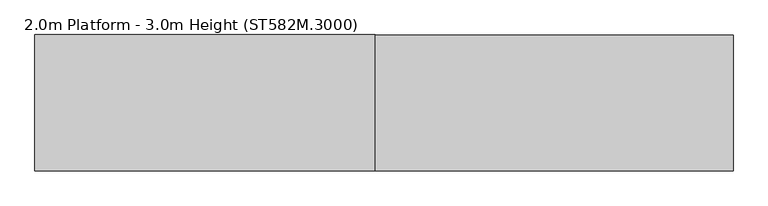
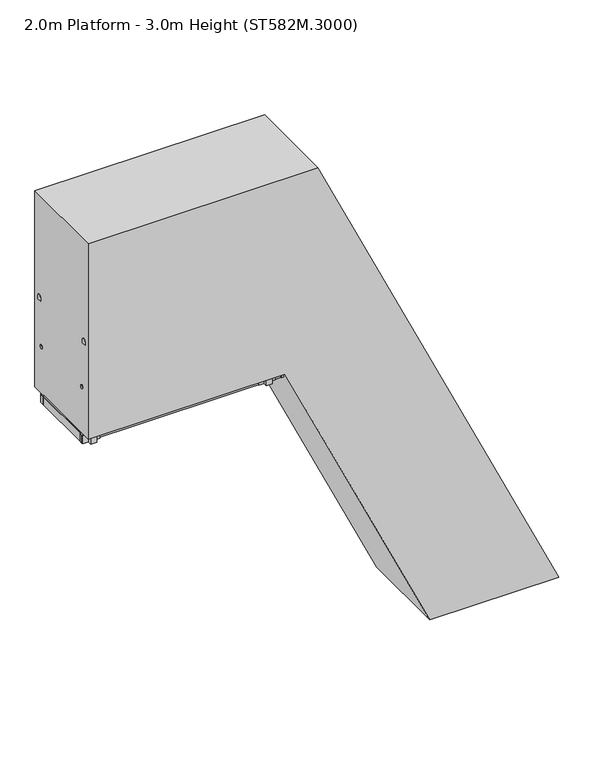
"""IFC4 building model written with IfcOpenShell, lengths in millimetres: proxy geometry, 2.0m Platform - 3.0m Height (ST582M.3000)."""

from ifc_helpers import new_model, si_unit, point, frame, frame_2d, origin, origin_with_axes, place, context, project, spatial, polyline, circle_curve, ellipse_curve, trimmed, segment, composite_curve, outline, extrude, source, transform, mapped, element, save
from ifc_brep_helpers import plane_surface, cylinder_surface, advanced_brep


def proxy_2_0m_platform_3_0m_height_st582m_3000_893171c9(model_context):
    return source(origin(), model_context, "Body", "SolidModel", [
        extrude(outline(polyline([(2750.0, -287.4249636), (2670.0, -250.120356), (2670.0, -139.782559), (2750.0, -177.0871716), (2750.0, -287.4249636)])), frame((0.0, 298.5, 0.0), z_axis=(0.0, 1.0, 0.0), x_axis=(0.0, 0.0, 1.0)), (0.0, 0.0, 1.0), 6.0),
        extrude(outline(polyline([(2750.0, -287.4249636), (2670.0, -250.120356), (2670.0, -139.782559), (2750.0, -177.0871716), (2750.0, -287.4249636)])), frame((0.0, -304.5, 0.0), z_axis=(0.0, 1.0, 0.0), x_axis=(0.0, 0.0, 1.0)), (0.0, 0.0, 1.0), 6.0),
        extrude(outline(polyline([(2750.0, -280.2530073), (2712.0999991, -262.5799491), (2712.0999991, -260.3731933), (2747.0, -276.6473288), (2747.0, -177.8950045), (2712.0999991, -161.6208668), (2712.0999991, -159.414111), (2750.0, -177.0871716), (2750.0, -197.5149128), (2749.2749538, -197.8530073), (2750.0, -198.1911019), (2750.0, -218.1149128), (2749.2749538, -218.4530073), (2750.0, -218.7911019), (2750.0, -238.7149128), (2749.2749538, -239.0530073), (2750.0, -239.3911019), (2750.0, -259.3149128), (2749.2749538, -259.6530073), (2750.0, -259.9911019), (2750.0, -280.2530073)])), frame((0.0, -298.5, 0.0), z_axis=(0.0, 1.0, 0.0), x_axis=(0.0, 0.0, 1.0)), (0.0, 0.0, 1.0), 597.0),
        extrude(outline(polyline([(2500.0, -170.8451391), (2420.0, -133.5405315), (2420.0, -23.2027344), (2500.0, -60.507347), (2500.0, -170.8451391)])), frame((0.0, 298.5, 0.0), z_axis=(0.0, 1.0, 0.0), x_axis=(0.0, 0.0, 1.0)), (0.0, 0.0, 1.0), 6.0),
        extrude(outline(polyline([(2500.0, -170.8451391), (2420.0, -133.5405315), (2420.0, -23.2027344), (2500.0, -60.507347), (2500.0, -170.8451391)])), frame((0.0, -304.5, 0.0), z_axis=(0.0, 1.0, 0.0), x_axis=(0.0, 0.0, 1.0)), (0.0, 0.0, 1.0), 6.0),
        extrude(outline(polyline([(2500.0, -163.6731828), (2462.0999991, -146.0001245), (2462.0999991, -143.7933687), (2497.0, -160.0675042), (2497.0, -61.3151799), (2462.0999991, -45.0410422), (2462.0999991, -42.8342864), (2500.0, -60.507347), (2500.0, -80.9350882), (2499.2749538, -81.2731828), (2500.0, -81.6112773), (2500.0, -101.5350882), (2499.2749538, -101.8731828), (2500.0, -102.2112773), (2500.0, -122.1350882), (2499.2749538, -122.4731828), (2500.0, -122.8112773), (2500.0, -142.7350882), (2499.2749538, -143.0731828), (2500.0, -143.4112773), (2500.0, -163.6731828)])), frame((0.0, -298.5, 0.0), z_axis=(0.0, 1.0, 0.0), x_axis=(0.0, 0.0, 1.0)), (0.0, 0.0, 1.0), 597.0),
        extrude(outline(polyline([(2250.0, -54.2653145), (2170.0, -16.9607069), (2170.0, 93.3770902), (2250.0, 56.0724775), (2250.0, -54.2653145)])), frame((0.0, 298.5, 0.0), z_axis=(0.0, 1.0, 0.0), x_axis=(0.0, 0.0, 1.0)), (0.0, 0.0, 1.0), 6.0),
        extrude(outline(polyline([(2250.0, -54.2653145), (2170.0, -16.9607069), (2170.0, 93.3770902), (2250.0, 56.0724775), (2250.0, -54.2653145)])), frame((0.0, -304.5, 0.0), z_axis=(0.0, 1.0, 0.0), x_axis=(0.0, 0.0, 1.0)), (0.0, 0.0, 1.0), 6.0),
        extrude(outline(polyline([(2250.0, -47.0933582), (2212.0999991, -29.4203), (2212.0999991, -27.2135442), (2247.0, -43.4876796), (2247.0, 55.2646447), (2212.0999991, 71.5387823), (2212.0999991, 73.7455382), (2250.0, 56.0724775), (2250.0, 35.6447364), (2249.2749538, 35.3066418), (2250.0, 34.9685472), (2250.0, 15.0447364), (2249.2749538, 14.7066418), (2250.0, 14.3685472), (2250.0, -5.5552636), (2249.2749538, -5.8933582), (2250.0, -6.2314528), (2250.0, -26.1552636), (2249.2749538, -26.4933582), (2250.0, -26.8314528), (2250.0, -47.0933582)])), frame((0.0, -298.5, 0.0), z_axis=(0.0, 1.0, 0.0), x_axis=(0.0, 0.0, 1.0)), (0.0, 0.0, 1.0), 597.0),
        extrude(outline(polyline([(2000.0, 62.3145101), (1920.0, 99.6191177), (1920.0, 209.9569147), (2000.0, 172.6523021), (2000.0, 62.3145101)])), frame((0.0, 298.5, 0.0), z_axis=(0.0, 1.0, 0.0), x_axis=(0.0, 0.0, 1.0)), (0.0, 0.0, 1.0), 6.0),
        extrude(outline(polyline([(2000.0, 62.3145101), (1920.0, 99.6191177), (1920.0, 209.9569147), (2000.0, 172.6523021), (2000.0, 62.3145101)])), frame((0.0, -304.5, 0.0), z_axis=(0.0, 1.0, 0.0), x_axis=(0.0, 0.0, 1.0)), (0.0, 0.0, 1.0), 6.0),
        extrude(outline(polyline([(2000.0, 69.4864664), (1962.0999991, 87.1595246), (1962.0999991, 89.3662804), (1997.0, 73.0921449), (1997.0, 171.8444692), (1962.0999991, 188.1186069), (1962.0999991, 190.3253627), (2000.0, 172.6523021), (2000.0, 152.2245609), (1999.2749538, 151.8864664), (2000.0, 151.5483718), (2000.0, 131.6245609), (1999.2749538, 131.2864664), (2000.0, 130.9483718), (2000.0, 111.0245609), (1999.2749538, 110.6864664), (2000.0, 110.3483718), (2000.0, 90.4245609), (1999.2749538, 90.0864664), (2000.0, 89.7483718), (2000.0, 69.4864664)])), frame((0.0, -298.5, 0.0), z_axis=(0.0, 1.0, 0.0), x_axis=(0.0, 0.0, 1.0)), (0.0, 0.0, 1.0), 597.0),
        extrude(outline(polyline([(1750.0, 178.8943346), (1670.0, 216.1989422), (1670.0, 326.5367393), (1750.0, 289.2321266), (1750.0, 178.8943346)])), frame((0.0, 298.5, 0.0), z_axis=(0.0, 1.0, 0.0), x_axis=(0.0, 0.0, 1.0)), (0.0, 0.0, 1.0), 6.0),
        extrude(outline(polyline([(1750.0, 178.8943346), (1670.0, 216.1989422), (1670.0, 326.5367393), (1750.0, 289.2321266), (1750.0, 178.8943346)])), frame((0.0, -304.5, 0.0), z_axis=(0.0, 1.0, 0.0), x_axis=(0.0, 0.0, 1.0)), (0.0, 0.0, 1.0), 6.0),
        extrude(outline(polyline([(1750.0, 186.0662909), (1712.0999991, 203.7393492), (1712.0999991, 205.9461049), (1747.0, 189.6719695), (1747.0, 288.4242938), (1712.0999991, 304.6984314), (1712.0999991, 306.9051873), (1750.0, 289.2321266), (1750.0, 268.8043855), (1749.2749538, 268.4662909), (1750.0, 268.1281963), (1750.0, 248.2043855), (1749.2749538, 247.8662909), (1750.0, 247.5281963), (1750.0, 227.6043855), (1749.2749538, 227.2662909), (1750.0, 226.9281963), (1750.0, 207.0043855), (1749.2749538, 206.6662909), (1750.0, 206.3281963), (1750.0, 186.0662909)])), frame((0.0, -298.5, 0.0), z_axis=(0.0, 1.0, 0.0), x_axis=(0.0, 0.0, 1.0)), (0.0, 0.0, 1.0), 597.0),
        extrude(outline(polyline([(1500.0, 295.4741592), (1420.0, 332.7787668), (1420.0, 443.1165638), (1500.0, 405.8119512), (1500.0, 295.4741592)])), frame((0.0, 298.5, 0.0), z_axis=(0.0, 1.0, 0.0), x_axis=(0.0, 0.0, 1.0)), (0.0, 0.0, 1.0), 6.0),
        extrude(outline(polyline([(1500.0, 295.4741592), (1420.0, 332.7787668), (1420.0, 443.1165638), (1500.0, 405.8119512), (1500.0, 295.4741592)])), frame((0.0, -304.5, 0.0), z_axis=(0.0, 1.0, 0.0), x_axis=(0.0, 0.0, 1.0)), (0.0, 0.0, 1.0), 6.0),
        extrude(outline(polyline([(1500.0, 302.6461155), (1462.0999991, 320.3191737), (1462.0999991, 322.5259295), (1497.0, 306.251794), (1497.0, 405.0041183), (1462.0999991, 421.278256), (1462.0999991, 423.4850118), (1500.0, 405.8119512), (1500.0, 385.38421), (1499.2749538, 385.0461155), (1500.0, 384.7080209), (1500.0, 364.78421), (1499.2749538, 364.4461155), (1500.0, 364.1080209), (1500.0, 344.18421), (1499.2749538, 343.8461155), (1500.0, 343.5080209), (1500.0, 323.58421), (1499.2749538, 323.2461155), (1500.0, 322.9080209), (1500.0, 302.6461155)])), frame((0.0, -298.5, 0.0), z_axis=(0.0, 1.0, 0.0), x_axis=(0.0, 0.0, 1.0)), (0.0, 0.0, 1.0), 597.0),
        extrude(outline(polyline([(1250.0, 412.0539837), (1170.0, 449.3585913), (1170.0, 559.6963884), (1250.0, 522.3917758), (1250.0, 412.0539837)])), frame((0.0, 298.5, 0.0), z_axis=(0.0, 1.0, 0.0), x_axis=(0.0, 0.0, 1.0)), (0.0, 0.0, 1.0), 6.0),
        extrude(outline(polyline([(1250.0, 412.0539837), (1170.0, 449.3585913), (1170.0, 559.6963884), (1250.0, 522.3917758), (1250.0, 412.0539837)])), frame((0.0, -304.5, 0.0), z_axis=(0.0, 1.0, 0.0), x_axis=(0.0, 0.0, 1.0)), (0.0, 0.0, 1.0), 6.0),
        extrude(outline(polyline([(1250.0, 419.22594), (1212.0999991, 436.8989983), (1212.0999991, 439.1057541), (1247.0, 422.8316186), (1247.0, 521.5839429), (1212.0999991, 537.8580806), (1212.0999991, 540.0648364), (1250.0, 522.3917758), (1250.0, 501.9640346), (1249.2749538, 501.62594), (1250.0, 501.2878455), (1250.0, 481.3640346), (1249.2749538, 481.02594), (1250.0, 480.6878455), (1250.0, 460.7640346), (1249.2749538, 460.42594), (1250.0, 460.0878455), (1250.0, 440.1640346), (1249.2749538, 439.82594), (1250.0, 439.4878455), (1250.0, 419.22594)])), frame((0.0, -298.5, 0.0), z_axis=(0.0, 1.0, 0.0), x_axis=(0.0, 0.0, 1.0)), (0.0, 0.0, 1.0), 597.0),
        extrude(outline(polyline([(1000.0, 528.6338083), (920.0, 565.9384159), (920.0, 676.276213), (1000.0, 638.9716003), (1000.0, 528.6338083)])), frame((0.0, 298.5, 0.0), z_axis=(0.0, 1.0, 0.0), x_axis=(0.0, 0.0, 1.0)), (0.0, 0.0, 1.0), 6.0),
        extrude(outline(polyline([(1000.0, 528.6338083), (920.0, 565.9384159), (920.0, 676.276213), (1000.0, 638.9716003), (1000.0, 528.6338083)])), frame((0.0, -304.5, 0.0), z_axis=(0.0, 1.0, 0.0), x_axis=(0.0, 0.0, 1.0)), (0.0, 0.0, 1.0), 6.0),
        extrude(outline(polyline([(1000.0, 535.8057646), (962.0999991, 553.4788228), (962.0999991, 555.6855786), (997.0, 539.4114432), (997.0, 638.1637674), (962.0999991, 654.4379051), (962.0999991, 656.644661), (1000.0, 638.9716003), (1000.0, 618.5438592), (999.2749538, 618.2057646), (1000.0, 617.86767), (1000.0, 597.9438592), (999.2749538, 597.6057646), (1000.0, 597.26767), (1000.0, 577.3438592), (999.2749538, 577.0057646), (1000.0, 576.66767), (1000.0, 556.7438592), (999.2749538, 556.4057646), (1000.0, 556.06767), (1000.0, 535.8057646)])), frame((0.0, -298.5, 0.0), z_axis=(0.0, 1.0, 0.0), x_axis=(0.0, 0.0, 1.0)), (0.0, 0.0, 1.0), 597.0),
        extrude(outline(polyline([(750.0, 645.2136328), (670.0, 682.5182404), (670.0, 792.8560375), (750.0, 755.5514249), (750.0, 645.2136328)])), frame((0.0, 298.5, 0.0), z_axis=(0.0, 1.0, 0.0), x_axis=(0.0, 0.0, 1.0)), (0.0, 0.0, 1.0), 6.0),
        extrude(outline(polyline([(750.0, 645.2136328), (670.0, 682.5182404), (670.0, 792.8560375), (750.0, 755.5514249), (750.0, 645.2136328)])), frame((0.0, -304.5, 0.0), z_axis=(0.0, 1.0, 0.0), x_axis=(0.0, 0.0, 1.0)), (0.0, 0.0, 1.0), 6.0),
        extrude(outline(polyline([(750.0, 652.3855891), (712.0999991, 670.0586474), (712.0999991, 672.2654032), (747.0, 655.9912677), (747.0, 754.743592), (712.0999991, 771.0177297), (712.0999991, 773.2244855), (750.0, 755.5514249), (750.0, 735.1236837), (749.2749538, 734.7855891), (750.0, 734.4474946), (750.0, 714.5236837), (749.2749538, 714.1855891), (750.0, 713.8474946), (750.0, 693.9236837), (749.2749538, 693.5855891), (750.0, 693.2474946), (750.0, 673.3236837), (749.2749538, 672.9855891), (750.0, 672.6474946), (750.0, 652.3855891)])), frame((0.0, -298.5, 0.0), z_axis=(0.0, 1.0, 0.0), x_axis=(0.0, 0.0, 1.0)), (0.0, 0.0, 1.0), 597.0),
        extrude(outline(polyline([(500.0, 761.7934574), (420.0, 799.098065), (420.0, 909.4358621), (500.0, 872.1312494), (500.0, 761.7934574)])), frame((0.0, 298.5, 0.0), z_axis=(0.0, 1.0, 0.0), x_axis=(0.0, 0.0, 1.0)), (0.0, 0.0, 1.0), 6.0),
        extrude(outline(polyline([(500.0, 761.7934574), (420.0, 799.098065), (420.0, 909.4358621), (500.0, 872.1312494), (500.0, 761.7934574)])), frame((0.0, -304.5, 0.0), z_axis=(0.0, 1.0, 0.0), x_axis=(0.0, 0.0, 1.0)), (0.0, 0.0, 1.0), 6.0),
        extrude(outline(polyline([(500.0, 768.9654137), (462.0999991, 786.638472), (462.0999991, 788.8452277), (497.0, 772.5710923), (497.0, 871.3234166), (462.0999991, 887.5975542), (462.0999991, 889.8043101), (500.0, 872.1312494), (500.0, 851.7035083), (499.2749538, 851.3654137), (500.0, 851.0273191), (500.0, 831.1035083), (499.2749538, 830.7654137), (500.0, 830.4273191), (500.0, 810.5035083), (499.2749538, 810.1654137), (500.0, 809.8273191), (500.0, 789.9035083), (499.2749538, 789.5654137), (500.0, 789.2273191), (500.0, 768.9654137)])), frame((0.0, -298.5, 0.0), z_axis=(0.0, 1.0, 0.0), x_axis=(0.0, 0.0, 1.0)), (0.0, 0.0, 1.0), 597.0),
        extrude(outline(polyline([(0.0, -6.0), (0.0, 0.0), (50.0, 0.0), (50.0, -6.0), (0.0, -6.0)])), frame((68.898791, 296.0, 1938.5847001), z_axis=(-8.78186180219842e-06, 0.0, 0.9999999999614396), x_axis=(0.0, -1.0, 0.0)), (0.0, 0.0, 1.0), 120.0),
        extrude(outline(polyline([(2000.5856226, 173.9440907), (2058.585385, 146.8977372), (2058.5847001, 68.8977372), (2000.5847001, 68.8982465), (2000.5856226, 173.9440907)])), frame((0.0, 252.0, 0.0), z_axis=(0.0, 1.0, 0.0), x_axis=(0.0, 0.0, 1.0)), (0.0, 0.0, 1.0), 38.0),
        extrude(outline(polyline([(0.0, -6.0), (0.0, 0.0), (50.0, 0.0), (50.0, -6.0), (0.0, -6.0)])), frame((62.898791, -296.0, 1938.5846474), z_axis=(-8.781861799811441e-06, 0.0, 0.9999999999614395), x_axis=(0.0, 1.0, 0.0)), (0.0, 0.0, 1.0), 120.0),
        extrude(outline(polyline([(2000.5856226, 173.9440907), (2058.585385, 146.8977372), (2058.5847001, 68.8977372), (2000.5847001, 68.8982465), (2000.5856226, 173.9440907)])), frame((0.0, -290.0, 0.0), z_axis=(0.0, 1.0, 0.0), x_axis=(0.0, 0.0, 1.0)), (0.0, 0.0, 1.0), 38.0),
        extrude(outline(polyline([(0.0, -590.0), (0.0, 0.0), (2.0, 0.0), (2.0, -590.0), (0.0, -590.0)])), frame((1127.7195037, -295.0, 49.9008248), z_axis=(-0.4226262207941318, 0.0, 0.9063040756265359), x_axis=(-0.9063040756265359, 0.0, -0.4226262207941318)), (0.0, 0.0, 1.0), 2240.0),
        extrude(outline(polyline([(2250.0, 0.0), (2250.0, -600.0), (0.0, -600.0), (0.0, 0.0), (2250.0, 0.0)]), holes=[polyline([(1096.0, -58.0), (58.0, -58.0), (58.0, -542.0), (1096.0, -542.0), (1096.0, -58.0)]), polyline([(1154.0, -542.0), (2192.0, -542.0), (2192.0, -58.0), (1154.0, -58.0), (1154.0, -542.0)])]), frame((142.671475, 300.0, 2067.6484258), z_axis=(0.9063040756265359, 0.0, 0.4226262207941318), x_axis=(0.4226262207941318, 0.0, -0.9063040756265359)), (0.0, 0.0, 1.0), 38.0),
        extrude(outline(polyline([(0.0, 0.0), (79.9999999, 0.0), (79.9999999, -6.0), (5.9999999, -6.0), (5.9999999, -50.0), (0.0, -50.0), (0.0, 0.0)])), frame((1025.9602764, 343.0, 173.4729077), z_axis=(-0.4226262207941318, 0.0, 0.9063040756265359), x_axis=(-0.9063040756265359, 0.0, -0.4226262207941318)), (0.0, 0.0, 1.0), 50.0),
        extrude(outline(polyline([(0.0, 686.0), (0.0, 736.0), (5.9999999, 736.0), (5.9999999, 692.0), (79.9999999, 692.0), (79.9999999, 686.0), (0.0, 686.0)])), frame((1025.9602764, 343.0, 173.4729077), z_axis=(-0.4226262207941318, 0.0, 0.9063040756265359), x_axis=(-0.9063040756265359, 0.0, -0.4226262207941318)), (0.0, 0.0, 1.0), 50.0),
        extrude(outline(polyline([(-100.0, 0.0), (0.0, 0.0), (0.0, -50.0), (-6.0, -50.0), (-6.0, -6.0000001), (-100.0, -6.0000001), (-100.0, 0.0)])), frame((1025.9602764, -300.0, 173.4729077), z_axis=(-0.4226262207941318, 0.0, 0.9063040756265359), x_axis=(0.0, 1.0, 0.0)), (0.0, 0.0, 1.0), 50.0),
        extrude(outline(polyline([(700.0, 0.0), (700.0, -6.0000001), (606.0, -6.0000001), (606.0, -50.0), (600.0, -50.0), (600.0, 0.0), (700.0, 0.0)])), frame((1025.9602764, -300.0, 173.4729077), z_axis=(-0.4226262207941318, 0.0, 0.9063040756265359), x_axis=(0.0, 1.0, 0.0)), (0.0, 0.0, 1.0), 50.0),
        extrude(outline(polyline([(1117.980178, 629.6545025), (1132.3752601, 675.9041685), (1038.1196362, 719.8572955), (1011.9426011, 679.1017703), (989.2849992, 689.6674258), (993.5112614, 698.7304666), (1008.0121267, 691.9684471), (1034.1891617, 732.7239722), (1144.758259, 681.1635733), (1130.3631769, 634.9139072), (1144.8640421, 628.1518877), (1140.6377799, 619.088847), (1117.980178, 629.6545025)])), frame((0.0, 201.0, 0.0), z_axis=(0.0, 1.0, 0.0), x_axis=(0.0, 0.0, 1.0)), (0.0, 0.0, 1.0), 44.0),
        extrude(outline(polyline([(1117.980178, 629.6545025), (1132.3752601, 675.9041685), (1038.1196362, 719.8572955), (1011.9426011, 679.1017703), (989.2849992, 689.6674258), (993.5112614, 698.7304666), (1008.0121267, 691.9684471), (1034.1891617, 732.7239722), (1144.758259, 681.1635733), (1130.3631769, 634.9139072), (1144.8640421, 628.1518877), (1140.6377799, 619.088847), (1117.980178, 629.6545025)])), frame((0.0, -245.0, 0.0), z_axis=(0.0, 1.0, 0.0), x_axis=(0.0, 0.0, 1.0)), (0.0, 0.0, 1.0), 44.0),
        extrude(outline(polyline([(-0.0541093, 0.0), (0.7582532, 5.9447512), (185.4590012, 5.9447512), (254.8144323, -3.5328109), (254.0020698, -9.4775622), (184.6466388, 0.0), (-0.0541093, 0.0)])), frame((796.3613539, 375.0, 1079.9808913), z_axis=(-0.4226262207941318, 0.0, 0.9063040756265359), x_axis=(-0.8979587117354819, -0.13539374535780632, -0.4187346244775316)), (0.0, 0.0, 1.0), 80.0),
        extrude(outline(polyline([(-0.0541094, 0.0), (0.7582531, 5.9447512), (185.4590013, 5.9447512), (254.8144324, -3.5328109), (254.0020699, -9.4775622), (184.6466388, 0.0), (-0.0541094, 0.0)])), frame((-31.1832465, 375.0, 2854.6153252), z_axis=(-0.4226262207941318, 0.0, 0.9063040756265359), x_axis=(-0.8979587117354819, -0.13539374535780632, -0.4187346244775316)), (0.0, 0.0, 1.0), 80.0),
        extrude(outline(polyline([(0.0, 32.0), (3.0000001, 32.0), (3.0000001, 0.0), (0.0, 0.0), (0.0, 32.0)])), frame((811.8076407, 388.0, 1054.0823052), z_axis=(-0.4226262207941318, 0.0, 0.9063040756265359), x_axis=(-0.9063040756265359, 0.0, -0.4226262207941318)), (0.0, 0.0, 1.0), 140.0),
        extrude(outline(polyline([(0.0, 32.0), (3.0, 32.0), (3.0, 0.0), (0.0, 0.0), (0.0, 32.0)])), frame((-15.7369597, 388.0, 2828.716739), z_axis=(-0.4226262207941318, 0.0, 0.9063040756265359), x_axis=(-0.9063040756265359, 0.0, -0.4226262207941318)), (0.0, 0.0, 1.0), 140.0),
        extrude(outline(composite_curve([segment(trimmed(circle_curve(frame_2d((0.0, 14.189404)), 22.4521533), [point((-17.4, 0.0))], [point((17.4, 0.0))], False, "CARTESIAN"), True, "CONTINUOUS"), segment(polyline([(17.4, 0.0), (-17.4, 0.0)]), True, "CONTINUOUS")], self_intersect=False)), frame((883.6540982, 372.0, 900.0106123), z_axis=(-0.4226262207941318, 0.0, 0.9063040756265359), x_axis=(0.0, -1.0, 0.0)), (0.0, 0.0, 1.0), 3288.1004671),
        extrude(outline(polyline([(-0.0541093, 0.0), (184.6466389, 0.0), (254.0020699, 9.4775622), (254.8144324, 3.5328109), (185.4590014, -5.9447512), (0.7582532, -5.9447512), (-0.0541093, 0.0)])), frame((796.3608039, -375.0, 1079.9820711), z_axis=(-0.4226262207941318, 0.0, 0.9063040756265359), x_axis=(-0.8979587117354819, 0.13539374535780632, -0.4187346244775316)), (0.0, 0.0, 1.0), 80.0),
        extrude(outline(polyline([(-0.0541093, 0.0), (184.6466388, 0.0), (254.0020698, 9.4775622), (254.8144323, 3.5328109), (185.4590013, -5.9447512), (0.7582532, -5.9447512), (-0.0541093, 0.0)])), frame((-31.1837965, -375.0, 2854.6165049), z_axis=(-0.4226262207941318, 0.0, 0.9063040756265359), x_axis=(-0.8979587117354819, 0.13539374535780632, -0.4187346244775316)), (0.0, 0.0, 1.0), 80.0),
        extrude(outline(polyline([(0.0, -32.0), (0.0, 0.0), (3.0, 0.0), (3.0, -32.0), (0.0, -32.0)])), frame((811.8070906, -388.0, 1054.0834849), z_axis=(-0.4226262207941318, 0.0, 0.9063040756265359), x_axis=(-0.9063040756265359, 0.0, -0.4226262207941318)), (0.0, 0.0, 1.0), 140.0),
        extrude(outline(polyline([(0.0, -32.0), (0.0, 0.0), (2.9999999, 0.0), (2.9999999, -32.0), (0.0, -32.0)])), frame((-15.7375097, -388.0, 2828.7179187), z_axis=(-0.4226262207941318, 0.0, 0.9063040756265359), x_axis=(-0.9063040756265359, 0.0, -0.4226262207941318)), (0.0, 0.0, 1.0), 140.0),
        extrude(outline(composite_curve([segment(polyline([(-17.4, 0.0), (17.4, 0.0)]), True, "CONTINUOUS"), segment(trimmed(circle_curve(frame_2d((0.0, -14.189404)), 22.4521533), [point((17.4, 0.0))], [point((-17.4, 0.0))], False, "CARTESIAN"), True, "CONTINUOUS")], self_intersect=False)), frame((883.6535482, -372.0, 900.011792), z_axis=(-0.4226262207941318, 0.0, 0.9063040756265359), x_axis=(0.0, 1.0, 0.0)), (0.0, 0.0, 1.0), 3288.1004671),
        extrude(outline(polyline([(3000.0, -404.0047882), (2920.0, -366.7001806), (2920.0, -256.3623835), (3000.0, -293.6669962), (3000.0, -404.0047882)])), frame((0.0, 298.5, 0.0), z_axis=(0.0, 1.0, 0.0), x_axis=(0.0, 0.0, 1.0)), (0.0, 0.0, 1.0), 6.0),
        extrude(outline(polyline([(3000.0, -404.0047882), (2920.0, -366.7001806), (2920.0, -256.3623835), (3000.0, -293.6669962), (3000.0, -404.0047882)])), frame((0.0, -304.5, 0.0), z_axis=(0.0, 1.0, 0.0), x_axis=(0.0, 0.0, 1.0)), (0.0, 0.0, 1.0), 6.0),
        extrude(outline(polyline([(3000.0, -396.8328319), (2962.0999991, -379.1597736), (2962.0999991, -376.9530179), (2997.0, -393.2271533), (2997.0, -294.474829), (2962.0999991, -278.2006914), (2962.0999991, -275.9939355), (3000.0, -293.6669962), (3000.0, -314.0947373), (2999.2749538, -314.4328319), (3000.0, -314.7709265), (3000.0, -334.6947373), (2999.2749538, -335.0328319), (3000.0, -335.3709265), (3000.0, -355.2947373), (2999.2749538, -355.6328319), (3000.0, -355.9709265), (3000.0, -375.8947373), (2999.2749538, -376.2328319), (3000.0, -376.5709265), (3000.0, -396.8328319)])), frame((0.0, -298.5, 0.0), z_axis=(0.0, 1.0, 0.0), x_axis=(0.0, 0.0, 1.0)), (0.0, 0.0, 1.0), 597.0),
        extrude(outline(polyline([(250.0, 878.373282), (170.0, 915.6778896), (170.0, 1026.0156866), (250.0, 988.711074), (250.0, 878.373282)])), frame((0.0, 298.5, 0.0), z_axis=(0.0, 1.0, 0.0), x_axis=(0.0, 0.0, 1.0)), (0.0, 0.0, 1.0), 6.0),
        extrude(outline(polyline([(250.0, 878.373282), (170.0, 915.6778896), (170.0, 1026.0156866), (250.0, 988.711074), (250.0, 878.373282)])), frame((0.0, -304.5, 0.0), z_axis=(0.0, 1.0, 0.0), x_axis=(0.0, 0.0, 1.0)), (0.0, 0.0, 1.0), 6.0),
        extrude(outline(polyline([(250.0, 885.5452383), (212.0999991, 903.2182965), (212.0999991, 905.4250523), (247.0, 889.1509168), (247.0, 987.9032411), (212.0999991, 1004.1773788), (212.0999991, 1006.3841346), (250.0, 988.711074), (250.0, 968.2833328), (249.2749538, 967.9452383), (250.0, 967.6071437), (250.0, 947.6833328), (249.2749538, 947.3452383), (250.0, 947.0071437), (250.0, 927.0833328), (249.2749538, 926.7452383), (250.0, 926.4071437), (250.0, 906.4833328), (249.2749538, 906.1452383), (250.0, 905.8071437), (250.0, 885.5452383)])), frame((0.0, -298.5, 0.0), z_axis=(0.0, 1.0, 0.0), x_axis=(0.0, 0.0, 1.0)), (0.0, 0.0, 1.0), 597.0),
        extrude(outline(polyline([(-396.8328319, -304.5), (-434.8328319, -304.5), (-434.8328319, 304.5), (-396.8328319, 304.5), (-396.8328319, -304.5)])), frame((0.0, 0.0, 2901.0), z_axis=(0.0, 0.0, 1.0), x_axis=(1.0, 0.0, 0.0)), (0.0, 0.0, 1.0), 80.0),
        extrude(outline(polyline([(-1866.8328319, -304.5), (-1904.8328319, -304.5), (-1904.8328319, 304.5), (-1866.8328319, 304.5), (-1866.8328319, -304.5)])), frame((0.0, 0.0, 2923.0), z_axis=(0.0, 0.0, 1.0), x_axis=(1.0, 0.0, 0.0)), (0.0, 0.0, 1.0), 58.0),
        extrude(outline(polyline([(-1376.8328319, -304.5), (-1414.8328319, -304.5), (-1414.8328319, 304.5), (-1376.8328319, 304.5), (-1376.8328319, -304.5)])), frame((0.0, 0.0, 2923.0), z_axis=(0.0, 0.0, 1.0), x_axis=(1.0, 0.0, 0.0)), (0.0, 0.0, 1.0), 58.0),
        extrude(outline(polyline([(-886.8328319, -304.5), (-924.8328319, -304.5), (-924.8328319, 304.5), (-886.8328319, 304.5), (-886.8328319, -304.5)])), frame((0.0, 0.0, 2923.0), z_axis=(0.0, 0.0, 1.0), x_axis=(1.0, 0.0, 0.0)), (0.0, 0.0, 1.0), 58.0),
        extrude(outline(composite_curve([segment(polyline([(353.0, 3478.0), (353.0, 3468.0)]), True, "CONTINUOUS"), segment(trimmed(circle_curve(frame_2d((338.0, 3468.0)), 15.0), [point((353.0, 3468.0))], [point((323.0, 3468.0))], False, "CARTESIAN"), True, "CONTINUOUS"), segment(polyline([(323.0, 3468.0), (323.0, 3478.0)]), True, "CONTINUOUS"), segment(trimmed(circle_curve(frame_2d((338.0, 3478.0)), 15.0), [point((323.0, 3478.0))], [point((353.0, 3478.0))], False, "CARTESIAN"), True, "CONTINUOUS")], self_intersect=False)), frame((-2396.8328319, 0.0, 0.0), z_axis=(1.0, 0.0, 0.0), x_axis=(0.0, 1.0, 0.0)), (0.0, 0.0, 1.0), 1985.0),
        extrude(outline(composite_curve([segment(trimmed(circle_curve(frame_2d((-338.0, 3478.0)), 15.0), [point((-353.0, 3478.0))], [point((-323.0, 3478.0))], False, "CARTESIAN"), True, "CONTINUOUS"), segment(polyline([(-323.0, 3478.0), (-323.0, 3468.0)]), True, "CONTINUOUS"), segment(trimmed(circle_curve(frame_2d((-338.0, 3468.0)), 15.0), [point((-323.0, 3468.0))], [point((-353.0, 3468.0))], False, "CARTESIAN"), True, "CONTINUOUS"), segment(polyline([(-353.0, 3468.0), (-353.0, 3478.0)]), True, "CONTINUOUS")], self_intersect=False)), frame((-2396.8328319, 0.0, 0.0), z_axis=(1.0, 0.0, 0.0), x_axis=(0.0, 1.0, 0.0)), (0.0, 0.0, 1.0), 1985.0),
        extrude(outline(polyline([(-692.8328319, 353.0), (-532.8328319, 353.0), (-532.8328319, 343.0), (-692.8328319, 343.0), (-692.8328319, 353.0)])), frame((0.0, 0.0, 2901.0), z_axis=(0.0, 0.0, 1.0), x_axis=(1.0, 0.0, 0.0)), (0.0, 0.0, 1.0), 80.0),
        extrude(outline(polyline([(-692.8328319, -343.0), (-532.8328319, -343.0), (-532.8328319, -353.0), (-692.8328319, -353.0), (-692.8328319, -343.0)])), frame((0.0, 0.0, 2901.0), z_axis=(0.0, 0.0, 1.0), x_axis=(1.0, 0.0, 0.0)), (0.0, 0.0, 1.0), 80.0),
        extrude(outline(polyline([(-583.8328319, 391.0), (-583.8328319, 353.0), (-641.8328319, 353.0), (-641.8328319, 391.0), (-583.8328319, 391.0)])), frame((0.0, 0.0, 2901.0), z_axis=(0.0, 0.0, 1.0), x_axis=(1.0, 0.0, 0.0)), (0.0, 0.0, 1.0), 1029.0),
        extrude(outline(polyline([(-583.8328319, -353.0), (-583.8328319, -391.0), (-641.8328319, -391.0), (-641.8328319, -353.0), (-583.8328319, -353.0)])), frame((0.0, 0.0, 2901.0), z_axis=(0.0, 0.0, 1.0), x_axis=(1.0, 0.0, 0.0)), (0.0, 0.0, 1.0), 1029.0),
        advanced_brep(
        [(-556.8328319, 372.0, 3942.0), (-556.8328319, 372.0, 3987.0), (-544.1016939, 372.0, 3942.0), (-515.4337404, 372.0, 3987.0), (-513.5569732, 372.0, 3876.4977609), (-472.773248, 372.0, 3895.5158512)],
        [
            (0, 1, circle_curve(frame((-556.8328319, 372.0, 3964.5), z_axis=(-1.0, 0.0, 0.0), x_axis=(0.0, 0.0, 1.0)), 22.5)),
            (1, 0, circle_curve(frame((-556.8328319, 372.0, 3964.5), z_axis=(-1.0, 0.0, 0.0), x_axis=(0.0, 0.0, 1.0)), 22.5)),
            (0, 2),
            (2, 3, ellipse_curve(frame((-529.7677171, 372.0, 3964.5), z_axis=(-0.8433932143583001, 0.0, 0.5372968322765121), x_axis=(-0.5372968322765123, 0.0, -0.8433932143583)), 26.6779476, 22.5)),
            (3, 1),
            (3, 2, ellipse_curve(frame((-529.7677171, 372.0, 3964.5), z_axis=(-0.8433932143583001, 0.0, 0.5372968322765121), x_axis=(-0.5372968322765123, 0.0, -0.8433932143583)), 26.6779476, 22.5)),
            (4, 5, circle_curve(frame((-493.1651106, 372.0, 3886.0068061), z_axis=(0.4226242280512512, 0.0, -0.9063050048764401), x_axis=(0.9063050048764401, 0.0, 0.4226242280512512)), 22.5)),
            (5, 4, circle_curve(frame((-493.1651106, 372.0, 3886.0068061), z_axis=(0.4226242280512512, 0.0, -0.9063050048764401), x_axis=(0.9063050048764401, 0.0, 0.4226242280512512)), 22.5)),
            (2, 4),
            (5, 3),
        ],
        [
            plane_surface(frame((-556.8328319, 0.0, 3987.0), z_axis=(-1.0, 0.0, 0.0), x_axis=(0.0, -1.0, 0.0))),
            cylinder_surface(frame((-556.8328319, 372.0, 3964.5), z_axis=(-1.0, 0.0, 0.0), x_axis=(0.0, 0.0, 1.0)), 22.5),
            plane_surface(frame((-472.773248, 0.0, 3895.5158512), z_axis=(0.42262422805125116, 0.0, -0.9063050048764401), x_axis=(0.0, -1.0, 0.0))),
            cylinder_surface(frame((-535.825603, 372.0, 3977.4909549), z_axis=(-0.4226242280512512, 0.0, 0.9063050048764401), x_axis=(0.9063050048764401, 0.0, 0.4226242280512512)), 22.5),
        ],
        [
            (0, [[1, 2]]),
            (1, [[-1, 3, 4, 5]]),
            (1, [[-2, -5, 6, -3]]),
            (2, [[7, 8]]),
            (3, [[-4, 9, -8, 10]]),
            (3, [[-6, -10, -7, -9]]),
        ],
    ),
        advanced_brep(
        [(-556.8328319, -372.0, 3942.0), (-556.8328319, -372.0, 3987.0), (-544.1016939, -372.0, 3942.0), (-515.4337404, -372.0, 3987.0), (-513.5569732, -372.0, 3876.4977609), (-472.773248, -372.0, 3895.5158512)],
        [
            (0, 1, circle_curve(frame((-556.8328319, -372.0, 3964.5), z_axis=(-1.0, 0.0, 0.0), x_axis=(0.0, 0.0, 1.0)), 22.5)),
            (1, 0, circle_curve(frame((-556.8328319, -372.0, 3964.5), z_axis=(-1.0, 0.0, 0.0), x_axis=(0.0, 0.0, 1.0)), 22.5)),
            (0, 2),
            (2, 3, ellipse_curve(frame((-529.7677171, -372.0, 3964.5), z_axis=(-0.8433932143583001, 0.0, 0.5372968322765121), x_axis=(-0.5372968322765123, 0.0, -0.8433932143583)), 26.6779476, 22.5)),
            (3, 1),
            (3, 2, ellipse_curve(frame((-529.7677171, -372.0, 3964.5), z_axis=(-0.8433932143583001, 0.0, 0.5372968322765121), x_axis=(-0.5372968322765123, 0.0, -0.8433932143583)), 26.6779476, 22.5)),
            (4, 5, circle_curve(frame((-493.1651106, -372.0, 3886.0068061), z_axis=(0.4226242280512512, 0.0, -0.9063050048764401), x_axis=(0.9063050048764401, 0.0, 0.4226242280512512)), 22.5)),
            (5, 4, circle_curve(frame((-493.1651106, -372.0, 3886.0068061), z_axis=(0.4226242280512512, 0.0, -0.9063050048764401), x_axis=(0.9063050048764401, 0.0, 0.4226242280512512)), 22.5)),
            (2, 4),
            (5, 3),
        ],
        [
            plane_surface(frame((-556.8328319, 0.0, 3987.0), z_axis=(-1.0, 0.0, 0.0), x_axis=(0.0, -1.0, 0.0))),
            cylinder_surface(frame((-556.8328319, -372.0, 3964.5), z_axis=(-1.0, 0.0, 0.0), x_axis=(0.0, 0.0, 1.0)), 22.5),
            plane_surface(frame((-472.773248, 0.0, 3895.5158512), z_axis=(0.42262422805125116, 0.0, -0.9063050048764401), x_axis=(0.0, -1.0, 0.0))),
            cylinder_surface(frame((-535.825603, -372.0, 3977.4909549), z_axis=(-0.4226242280512512, 0.0, 0.9063050048764401), x_axis=(0.9063050048764401, 0.0, 0.4226242280512512)), 22.5),
        ],
        [
            (0, [[1, 2]]),
            (1, [[-1, 3, 4, 5]]),
            (1, [[-2, -5, 6, -3]]),
            (2, [[7, 8]]),
            (3, [[-4, 9, -8, 10]]),
            (3, [[-6, -10, -7, -9]]),
        ],
    ),
        extrude(outline(polyline([(-2358.8328319, -304.5), (-2396.8328319, -304.5), (-2396.8328319, 304.5), (-2358.8328319, 304.5), (-2358.8328319, -304.5)])), frame((0.0, 0.0, 2901.0), z_axis=(0.0, 0.0, 1.0), x_axis=(1.0, 0.0, 0.0)), (0.0, 0.0, 1.0), 80.0),
        extrude(outline(composite_curve([segment(polyline([(349.5, 3930.0), (349.5, 3964.5)]), True, "CONTINUOUS"), segment(trimmed(circle_curve(frame_2d((372.0, 3964.5)), 22.5), [point((349.5, 3964.5))], [point((394.5, 3964.5))], False, "CARTESIAN"), True, "CONTINUOUS"), segment(polyline([(394.5, 3964.5), (394.5, 3930.0), (349.5, 3930.0)]), True, "CONTINUOUS")], self_intersect=False)), frame((-2396.8328319, 0.0, 0.0), z_axis=(1.0, 0.0, 0.0), x_axis=(0.0, 1.0, 0.0)), (0.0, 0.0, 1.0), 1840.0),
        extrude(outline(composite_curve([segment(polyline([(-349.5, 3930.0), (-394.5, 3930.0), (-394.5, 3964.5)]), True, "CONTINUOUS"), segment(trimmed(circle_curve(frame_2d((-372.0, 3964.5)), 22.5), [point((-394.5, 3964.5))], [point((-349.5, 3964.5))], False, "CARTESIAN"), True, "CONTINUOUS"), segment(polyline([(-349.5, 3964.5), (-349.5, 3930.0)]), True, "CONTINUOUS")], self_intersect=False)), frame((-2396.8328319, 0.0, 0.0), z_axis=(1.0, 0.0, 0.0), x_axis=(0.0, 1.0, 0.0)), (0.0, 0.0, 1.0), 1840.0),
        extrude(outline(polyline([(-2232.8328319, 353.0), (-2232.8328319, 343.0), (-2392.8328319, 343.0), (-2392.8328319, 353.0), (-2232.8328319, 353.0)])), frame((0.0, 0.0, 2901.0), z_axis=(0.0, 0.0, 1.0), x_axis=(1.0, 0.0, 0.0)), (0.0, 0.0, 1.0), 80.0),
        extrude(outline(polyline([(-2232.8328319, -343.0), (-2232.8328319, -353.0), (-2392.8328319, -353.0), (-2392.8328319, -343.0), (-2232.8328319, -343.0)])), frame((0.0, 0.0, 2901.0), z_axis=(0.0, 0.0, 1.0), x_axis=(1.0, 0.0, 0.0)), (0.0, 0.0, 1.0), 80.0),
        extrude(outline(polyline([(-2283.8328319, 391.0), (-2283.8328319, 353.0), (-2341.8328319, 353.0), (-2341.8328319, 391.0), (-2283.8328319, 391.0)])), frame((0.0, 0.0, 2901.0), z_axis=(0.0, 0.0, 1.0), x_axis=(1.0, 0.0, 0.0)), (0.0, 0.0, 1.0), 1029.0),
        extrude(outline(polyline([(-2283.8328319, -353.0), (-2283.8328319, -391.0), (-2341.8328319, -391.0), (-2341.8328319, -353.0), (-2283.8328319, -353.0)])), frame((0.0, 0.0, 2901.0), z_axis=(0.0, 0.0, 1.0), x_axis=(1.0, 0.0, 0.0)), (0.0, 0.0, 1.0), 1029.0),
        extrude(outline(polyline([(-396.8328319, 343.0), (-396.8328319, 304.5), (-2396.8328319, 304.5), (-2396.8328319, 343.0), (-396.8328319, 343.0)])), frame((0.0, 0.0, 2901.0), z_axis=(0.0, 0.0, 1.0), x_axis=(1.0, 0.0, 0.0)), (0.0, 0.0, 1.0), 80.0),
        extrude(outline(polyline([(-396.8328319, -304.5), (-396.8328319, -343.0), (-2396.8328319, -343.0), (-2396.8328319, -304.5), (-396.8328319, -304.5)])), frame((0.0, 0.0, 2901.0), z_axis=(0.0, 0.0, 1.0), x_axis=(1.0, 0.0, 0.0)), (0.0, 0.0, 1.0), 80.0),
        extrude(outline(polyline([(-399.8328319, 297.5), (-399.8328319, -297.5), (-2393.8328319, -297.5), (-2393.8328319, 297.5), (-399.8328319, 297.5)])), frame((0.0, 0.0, 2984.0), z_axis=(0.0, 0.0, 1.0), x_axis=(1.0, 0.0, 0.0)), (0.0, 0.0, 1.0), 13.0),
        extrude(outline(polyline([(3000.0, -414.8328319), (2997.0, -414.8328319), (2997.0, -399.8328319), (2984.0, -399.8328319), (2984.0, -414.8328319), (2981.0, -414.8328319), (2981.0, -396.8328319), (3000.0, -396.8328319), (3000.0, -414.8328319)])), frame((0.0, -297.5, 0.0), z_axis=(0.0, 1.0, 0.0), x_axis=(0.0, 0.0, 1.0)), (0.0, 0.0, 1.0), 595.0),
        extrude(outline(polyline([(3000.0, -2378.8328319), (3000.0, -2396.8328319), (2981.0, -2396.8328319), (2981.0, -2378.8328319), (2984.0, -2378.8328319), (2984.0, -2393.8328319), (2997.0, -2393.8328319), (2997.0, -2378.8328319), (3000.0, -2378.8328319)])), frame((0.0, -297.5, 0.0), z_axis=(0.0, 1.0, 0.0), x_axis=(0.0, 0.0, 1.0)), (0.0, 0.0, 1.0), 595.0),
        extrude(outline(polyline([(2981.0, -287.140843), (2981.0, -476.8328319), (2901.0, -476.8328319), (2901.0, -249.8362303), (2981.0, -287.140843)])), frame((0.0, 344.0, 0.0), z_axis=(0.0, 1.0, 0.0), x_axis=(0.0, 0.0, 1.0)), (0.0, 0.0, 1.0), 6.0),
        extrude(outline(polyline([(2981.0, -284.7751404), (2981.0, -476.8328319), (2901.0, -476.8328319), (2901.0, -247.4705278), (2981.0, -284.7751404)])), frame((0.0, -350.0, 0.0), z_axis=(0.0, 1.0, 0.0), x_axis=(0.0, 0.0, 1.0)), (0.0, 0.0, 1.0), 6.0),
        extrude(outline(polyline([(-304.5, 79.9999999), (-304.5, 0.0), (-343.0, 0.0), (-343.0, 79.9999999), (-304.5, 79.9999999)])), frame((1014.2199091, 0.0, 6.0), z_axis=(-0.42261826174069744, 0.0, 0.9063077870366509), x_axis=(0.0, -1.0, 0.0)), (0.0, 0.0, 1.0), 3303.5134894),
        extrude(outline(polyline([(343.0, 79.9999999), (343.0, 0.0), (304.5, 0.0), (304.5, 79.9999999), (343.0, 79.9999999)])), frame((1014.2199091, 0.0, 6.0), z_axis=(-0.42261826174069744, 0.0, 0.9063077870366509), x_axis=(0.0, -1.0, 0.0)), (0.0, 0.0, 1.0), 3303.5134894),
        extrude(outline(polyline([(141.9461681, 1039.0974033), (108.1367071, 966.5927804), (6.0, 1014.2199091), (6.0, 1102.4901426), (141.9461681, 1039.0974033)])), frame((0.0, 344.0, 0.0), z_axis=(0.0, 1.0, 0.0), x_axis=(0.0, 0.0, 1.0)), (0.0, 0.0, 1.0), 6.0),
        extrude(outline(polyline([(141.9461681, 1039.0974033), (108.1367071, 966.5927804), (6.0, 1014.2199091), (6.0, 1102.4901426), (141.9461681, 1039.0974033)])), frame((0.0, -350.0, 0.0), z_axis=(0.0, 1.0, 0.0), x_axis=(0.0, 0.0, 1.0)), (0.0, 0.0, 1.0), 6.0),
        extrude(outline(polyline([(1108.3901426, 358.0), (1108.3901426, -358.0), (1008.3901426, -358.0), (1008.3901426, 358.0), (1108.3901426, 358.0)])), origin_with_axes(), (0.0, 0.0, 1.0), 6.0),
        extrude(outline(polyline([(3000.0, -493.6657783), (0.0, 905.2892705), (0.0, 2153.5017297), (5000.0, -178.0900184), (5000.0, -2396.8328319), (3000.0, -2396.8328319), (3000.0, -493.6657783)])), frame((0.0, -444.5, 0.0), z_axis=(0.0, 1.0, 0.0), x_axis=(0.0, 0.0, 1.0)), (0.0, 0.0, 1.0), 889.0),
    ])


if __name__ == "__main__":
    model = new_model("IFC4")
    model_context = context("Model", 3, world=origin())
    ifc_project = project(units=[si_unit("LENGTHUNIT", "METRE", prefix="MILLI")], contexts=[model_context])
    site = spatial("IfcSite", under=ifc_project)
    building = spatial("IfcBuilding", under=site)
    placement = place(None, origin())
    proxy_2_0m_platform_3_0m_height_st582m_3000_shape = proxy_2_0m_platform_3_0m_height_st582m_3000_893171c9(model_context)
    element("IfcBuildingElementProxy", 1, Name="2.0m Platform - 3.0m Height (ST582M.3000)", ObjectType="2.0m Platform - 3.0m Height (ST582M.3000)", at=placement, inside=building, context=model_context, shape_type="MappedRepresentation", body=[
        mapped(proxy_2_0m_platform_3_0m_height_st582m_3000_shape, transform((0.0, 0.0, 0.0), x_axis=(1.0, 0.0, 0.0), y_axis=(0.0, 1.0, 0.0), z_axis=(0.0, 0.0, 1.0))),
    ])
    save(model, "model.ifc")
